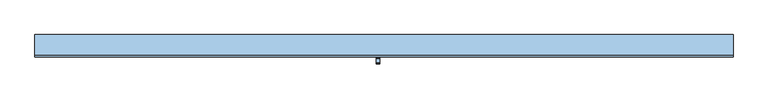
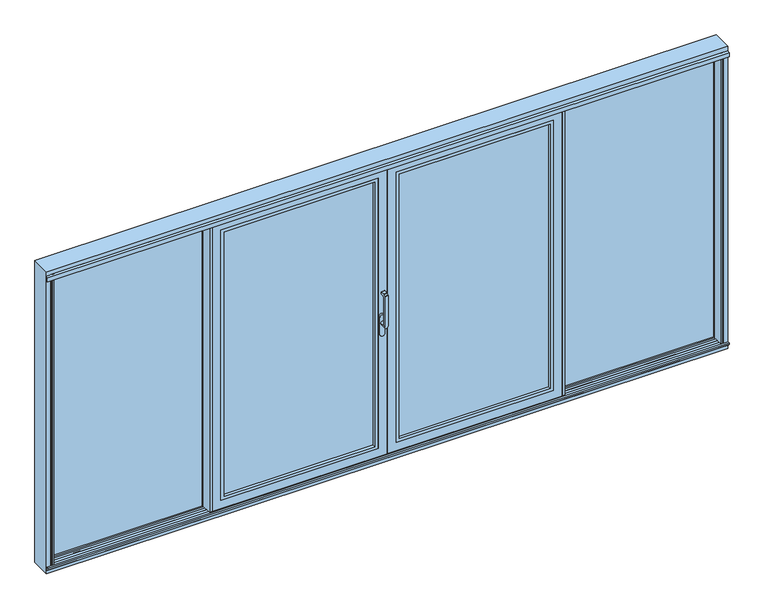
"""IFC4 building model written with IfcOpenShell, lengths in millimetres: window geometry."""

from ifc_helpers import new_model, si_unit, point, frame, frame_2d, origin, place, context, project, spatial, polyline, circle_curve, trimmed, segment, composite_curve, outline, extrude, faceted_brep, source, transform, mapped, element, save
from ifc_brep_helpers import plane_surface, cylinder_surface, revolved_surface, advanced_brep


def window_51f6beb0(model_context):
    return source(origin(), model_context, "Body", "SolidModel", [
        advanced_brep(
        [(-30.25, -121.9999695, 999.0), (-30.25, -121.9999695, 1224.2360009), (-54.25, -121.9999695, 1224.2360009), (-54.25, -121.9999695, 999.0), (-30.25, -73.9999695, 999.005052), (-54.25, -73.9999695, 999.005052), (-54.25, -109.9999695, 999.005052), (-30.25, -109.9999695, 999.005052), (-54.25, -121.414183, 1225.6502145), (-54.25, -110.6501229, 1236.4142746), (-54.25, -109.2359094, 1237.000061), (-54.25, -81.9999695, 1237.000061), (-54.25, -79.9999695, 1235.000061), (-54.25, -79.9999695, 1224.000061), (-54.25, -81.9999695, 1222.000061), (-54.25, -102.6493095, 1222.000061), (-54.25, -109.9999695, 1214.6494011), (-30.25, -109.9999695, 1214.6494011), (-30.25, -102.6493095, 1222.000061), (-30.25, -81.9999695, 1222.000061), (-30.25, -79.9999695, 1224.000061), (-30.25, -79.9999695, 1235.000061), (-30.25, -81.9999695, 1237.000061), (-30.25, -109.2359094, 1237.000061), (-30.25, -110.6501229, 1236.4142746), (-30.25, -121.414183, 1225.6502145)],
        [
            (0, 1),
            (1, 2),
            (2, 3),
            (3, 0, circle_curve(frame((-42.25, -121.9999695, 999.005052), z_axis=(0.0, -1.0, 0.0), x_axis=(-1.0000000000000009, 0.0, 0.0)), 12.0)),
            (4, 5, circle_curve(frame((-42.25, -73.9999695, 999.005052), z_axis=(0.0, 1.0, 0.0), x_axis=(-1.0000000000000009, 0.0, 0.0)), 12.0)),
            (5, 4, circle_curve(frame((-42.25, -73.9999695, 999.005052), z_axis=(0.0, 1.0, 0.0), x_axis=(-1.0000000000000009, 0.0, 0.0)), 12.0)),
            (3, 6),
            (6, 5),
            (4, 7),
            (7, 0),
            (6, 7, circle_curve(frame((-42.25, -109.9999695, 999.005052), z_axis=(0.0, 1.0, 0.0), x_axis=(-1.0000000000000009, 0.0, 0.0)), 12.0)),
            (2, 8, circle_curve(frame((-54.25, -119.9999695, 1224.2360009), z_axis=(-1.0, 0.0, 0.0), x_axis=(0.0, 0.0, -1.0)), 2.0)),
            (8, 9),
            (9, 10, circle_curve(frame((-54.25, -109.2359094, 1235.000061), z_axis=(-1.0, 0.0, 0.0), x_axis=(0.0, 0.0, -1.0)), 2.0)),
            (10, 11),
            (11, 12, circle_curve(frame((-54.25, -81.9999695, 1235.000061), z_axis=(-1.0, 0.0, 0.0), x_axis=(0.0, 0.0, -1.0)), 2.0)),
            (12, 13),
            (13, 14, circle_curve(frame((-54.25, -81.9999695, 1224.000061), z_axis=(-1.0, 0.0, 0.0), x_axis=(0.0, 0.0, -1.0)), 2.0)),
            (14, 15),
            (15, 16, circle_curve(frame((-54.25, -102.6493095, 1214.6494011), z_axis=(1.0, 0.0, 0.0), x_axis=(0.0, 0.0, -1.0)), 7.35066)),
            (16, 6),
            (7, 17),
            (17, 18, circle_curve(frame((-30.25, -102.6493095, 1214.6494011), z_axis=(-1.0, 0.0, 0.0), x_axis=(0.0, 0.0, -1.0)), 7.35066)),
            (18, 19),
            (19, 20, circle_curve(frame((-30.25, -81.9999695, 1224.000061), z_axis=(1.0, 0.0, 0.0), x_axis=(0.0, 0.0, -1.0)), 2.0)),
            (20, 21),
            (21, 22, circle_curve(frame((-30.25, -81.9999695, 1235.000061), z_axis=(1.0, 0.0, 0.0), x_axis=(0.0, 0.0, -1.0)), 2.0)),
            (22, 23),
            (23, 24, circle_curve(frame((-30.25, -109.2359094, 1235.000061), z_axis=(1.0, 0.0, 0.0), x_axis=(0.0, 0.0, -1.0)), 2.0)),
            (24, 25),
            (25, 1, circle_curve(frame((-30.25, -119.9999695, 1224.2360009), z_axis=(1.0, 0.0, 0.0), x_axis=(0.0, 0.0, -1.0)), 2.0)),
            (16, 17),
            (15, 18),
            (14, 19),
            (13, 20),
            (12, 21),
            (11, 22),
            (10, 23),
            (9, 24),
            (8, 25),
        ],
        [
            plane_surface(frame((-54.25, -121.9999695, 999.005052), z_axis=(0.0, -1.0, 0.0), x_axis=(0.0, 0.0, 1.0))),
            plane_surface(frame((-54.25, -73.9999695, 999.005052), z_axis=(0.0, 1.0, 0.0), x_axis=(0.0, 0.0, -1.0))),
            cylinder_surface(frame((-42.25, -73.9999695, 999.005052), z_axis=(0.0, -1.0000000000000009, 0.0), x_axis=(-1.0000000000000009, 0.0, 0.0)), 12.0),
            plane_surface(frame((-54.25, -121.9999695, 1004.7503433), z_axis=(-1.0, 0.0, 0.0), x_axis=(0.0, 0.0, -1.0))),
            plane_surface(frame((-30.25, -121.9999695, 1004.7503433), z_axis=(1.0, 0.0, 0.0), x_axis=(0.0, 0.0, 1.0))),
            plane_surface(frame((-54.25, -109.9999695, 999.0), z_axis=(0.0, 1.0, 0.0), x_axis=(1.0, 0.0, 0.0))),
            revolved_surface(polyline([(-30.25, -102.6493095, 1207.2987411), (-54.25000000000004, -102.6493095, 1207.2987411)]), (-30.25, -102.6493095, 1214.6494011), (1.0000000000000009, 0.0, 0.0)),
            plane_surface(frame((-54.25, -102.6493095, 1222.000061), z_axis=(0.0, 0.0, -1.0), x_axis=(1.0, 0.0, 0.0))),
            cylinder_surface(frame((-30.25, -81.9999695, 1224.000061), z_axis=(-1.0000000000000009, 0.0, 0.0), x_axis=(0.0, 0.0, -1.0)), 2.0),
            plane_surface(frame((-54.25, -79.9999695, 1224.000061), z_axis=(0.0, 1.0, 0.0), x_axis=(1.0, 0.0, 0.0))),
            cylinder_surface(frame((-30.25, -81.9999695, 1235.000061), z_axis=(-1.0000000000000009, 0.0, 0.0), x_axis=(0.0, 0.0, -1.0)), 2.0),
            plane_surface(frame((-54.25, -81.9999695, 1237.000061), z_axis=(0.0, 0.0, 1.0), x_axis=(1.0, 0.0, 0.0))),
            cylinder_surface(frame((-30.25, -109.2359094, 1235.000061), z_axis=(-1.0000000000000009, 0.0, 0.0), x_axis=(0.0, 0.0, -1.0)), 2.0),
            plane_surface(frame((-54.25, -110.6501229, 1236.4142746), z_axis=(0.0, -0.7071067811865419, 0.7071067811865531), x_axis=(1.0, 0.0, 0.0))),
            cylinder_surface(frame((-30.25, -119.9999695, 1224.2360009), z_axis=(-1.0000000000000009, 0.0, 0.0), x_axis=(0.0, 0.0, -1.0)), 2.0),
        ],
        [
            (0, [[1, 2, 3, 4]]),
            (1, [[5, 6]]),
            (2, [[7, 8, -5, 9, 10, -4]]),
            (2, [[-8, 11, -9, -6]]),
            (3, [[12, 13, 14, 15, 16, 17, 18, 19, 20, 21, -7, -3]]),
            (4, [[-1, -10, 22, 23, 24, 25, 26, 27, 28, 29, 30, 31]]),
            (5, [[32, -22, -11, -21]]),
            (6, [[33, -23, -32, -20]]),
            (7, [[34, -24, -33, -19]]),
            (8, [[35, -25, -34, -18]]),
            (9, [[36, -26, -35, -17]]),
            (10, [[37, -27, -36, -16]]),
            (11, [[38, -28, -37, -15]]),
            (12, [[39, -29, -38, -14]]),
            (13, [[40, -30, -39, -13]]),
            (14, [[-2, -31, -40, -12]]),
        ],
    ),
        extrude(outline(composite_curve([segment(polyline([(917.2823932, -25.5), (1044.0099288, -25.5)]), True, "CONTINUOUS"), segment(trimmed(circle_curve(frame_2d((1044.0099288, -42.25)), 16.75), [point((1044.0099288, -25.5))], [point((1044.0099288, -59.0))], False, "CARTESIAN"), True, "CONTINUOUS"), segment(polyline([(1044.0099288, -59.0), (917.2823932, -59.0)]), True, "CONTINUOUS"), segment(trimmed(circle_curve(frame_2d((917.2823932, -42.25)), 16.75), [point((917.2823932, -59.0))], [point((917.2823932, -25.5))], False, "CARTESIAN"), True, "CONTINUOUS")], self_intersect=False)), frame((0.0, -73.9999695, 0.0), z_axis=(0.0, 1.0, 0.0), x_axis=(0.0, 0.0, 1.0)), (0.0, 0.0, 1.0), 13.9999695),
        extrude(outline(polyline([(-1194.9983764, 15.9999745), (-1194.9983764, -2.55e-05), (-1242.1999044, -2.55e-05), (-1242.1999044, -54.5), (-1226.0, -54.5), (-1226.0, -60.0), (-1245.9999695, -60.0), (-1245.9999695, 15.9999745), (-1194.9983764, 15.9999745)])), frame((0.0, 0.0, 4.0), z_axis=(0.0, 0.0, 1.0), x_axis=(1.0, 0.0, 0.0)), (0.0, 0.0, 1.0), 2127.0),
        extrude(outline(polyline([(2071.0, -64.0), (2071.0, -1166.0), (64.0, -1166.0), (64.0, -64.0), (2071.0, -64.0)]), holes=[polyline([(2048.987351, -1143.987351), (2048.987351, -86.012649), (86.012649, -86.012649), (86.012649, -1143.987351), (2048.987351, -1143.987351)])]), frame((0.0, -60.0, 0.0), z_axis=(0.0, 1.0, 0.0), x_axis=(0.0, 0.0, 1.0)), (0.0, 0.0, 1.0), 22.9999656),
        extrude(outline(polyline([(-64.0, -11.0000344), (-64.0, -37.0000344), (-1166.0, -37.0000344), (-1166.0, -11.0000344), (-64.0, -11.0000344)])), frame((0.0, 0.0, 64.0), z_axis=(0.0, 0.0, 1.0), x_axis=(1.0, 0.0, 0.0)), (0.0, 0.0, 1.0), 2007.0),
        faceted_brep([(-1144.0, -11.0000344, 2049.0), (-1144.0, -11.0000344, 86.0), (-1144.0, -2.55e-05, 86.0), (-1144.0, -2.55e-05, 2049.0), (-1226.0017184, -2.55e-05, 2131.0017184), (-3.9982816, -2.55e-05, 2131.0017184), (-3.9982816, -2.55e-05, 3.9982816), (-1226.0017184, -2.55e-05, 3.9982816), (-86.0, -2.55e-05, 2049.0), (-86.0, -2.55e-05, 86.0), (-86.0, -11.0000344, 86.0), (-64.0, -11.0000344, 2071.0), (-1166.0, -11.0000344, 2071.0), (-1166.0, -11.0000344, 64.0), (-64.0, -11.0000344, 64.0), (-86.0, -11.0000344, 2049.0), (-1166.0, -60.0, 2071.0), (-1166.0, -60.0, 64.0), (-64.0, -60.0, 64.0), (-4.0, -60.0, 2131.0), (-1226.0, -60.0, 2131.0), (-1226.0, -60.0, 4.0), (-4.0, -60.0, 4.0), (-64.0, -60.0, 2071.0), (-1226.0, -54.5, 2131.0), (-1226.0, -54.5, 4.0), (-4.0, -54.5, 4.0), (-4.0, -54.5, 2131.0), (-34.0, -54.5, 2101.0), (-1196.0, -54.5, 2101.0), (-1196.0, -54.5, 34.0), (-34.0, -54.5, 34.0), (-1196.0, -5.4999923, 2101.0), (-1196.0, -5.4999923, 34.0), (-34.0, -5.4999923, 34.0), (-3.9982816, -5.4999923, 2131.0017184), (-1226.0017184, -5.4999923, 2131.0017184), (-1226.0017184, -5.4999923, 3.9982816), (-3.9982816, -5.4999923, 3.9982816), (-34.0, -5.4999923, 2101.0)], [[[0, 1, 2, 3]], [[4, 5, 6, 7], [8, 3, 2, 9]], [[1, 10, 9, 2]], [[11, 12, 13, 14], [0, 15, 10, 1]], [[16, 17, 13, 12]], [[17, 18, 14, 13]], [[19, 20, 21, 22], [16, 23, 18, 17]], [[24, 25, 21, 20]], [[25, 26, 22, 21]], [[24, 27, 26, 25], [28, 29, 30, 31]], [[32, 33, 30, 29]], [[33, 34, 31, 30]], [[35, 36, 37, 38], [32, 39, 34, 33]], [[4, 7, 37, 36]], [[7, 6, 38, 37]], [[10, 15, 8, 9]], [[18, 23, 11, 14]], [[26, 27, 19, 22]], [[34, 39, 28, 31]], [[6, 5, 35, 38]], [[15, 0, 3, 8]], [[23, 16, 12, 11]], [[27, 24, 20, 19]], [[39, 32, 29, 28]], [[5, 4, 36, 35]]]),
        extrude(outline(polyline([(-12.2016228, -54.5), (-12.2016228, -5.5000255), (34.0, -5.5000255), (34.0, -54.5), (-12.2016228, -54.5)])), frame((0.0, 0.0, 34.0), z_axis=(0.0, 0.0, 1.0), x_axis=(1.0, 0.0, 0.0)), (0.0, 0.0, 1.0), 2067.0),
        extrude(outline(polyline([(1194.9983764, 15.9999745), (1245.9999695, 15.9999745), (1245.9999695, -60.0), (1226.0, -60.0), (1226.0, -54.5), (1242.1999044, -54.5), (1242.1999044, -2.55e-05), (1194.9983764, -2.55e-05), (1194.9983764, 15.9999745)])), frame((0.0, 0.0, 4.0), z_axis=(0.0, 0.0, 1.0), x_axis=(1.0, 0.0, 0.0)), (0.0, 0.0, 1.0), 2127.0),
        extrude(outline(polyline([(2071.0, 64.0), (64.0, 64.0), (64.0, 1166.0), (2071.0, 1166.0), (2071.0, 64.0)]), holes=[polyline([(2048.987351, 1143.987351), (86.012649, 1143.987351), (86.012649, 86.012649), (2048.987351, 86.012649), (2048.987351, 1143.987351)])]), frame((0.0, -60.0, 0.0), z_axis=(0.0, 1.0, 0.0), x_axis=(0.0, 0.0, 1.0)), (0.0, 0.0, 1.0), 22.9999656),
        extrude(outline(polyline([(64.0, -11.0000344), (1166.0, -11.0000344), (1166.0, -37.0000344), (64.0, -37.0000344), (64.0, -11.0000344)])), frame((0.0, 0.0, 64.0), z_axis=(0.0, 0.0, 1.0), x_axis=(1.0, 0.0, 0.0)), (0.0, 0.0, 1.0), 2007.0),
        faceted_brep([(1144.0, -11.0000344, 2049.0), (1144.0, -2.55e-05, 2049.0), (1144.0, -2.55e-05, 86.0), (1144.0, -11.0000344, 86.0), (1226.0017184, -2.55e-05, 2131.0017184), (1226.0017184, -2.55e-05, 3.9982816), (3.9982816, -2.55e-05, 3.9982816), (3.9982816, -2.55e-05, 2131.0017184), (86.0, -2.55e-05, 2049.0), (86.0, -2.55e-05, 86.0), (86.0, -11.0000344, 86.0), (64.0, -11.0000344, 2071.0), (64.0, -11.0000344, 64.0), (1166.0, -11.0000344, 64.0), (1166.0, -11.0000344, 2071.0), (86.0, -11.0000344, 2049.0), (1166.0, -60.0, 2071.0), (1166.0, -60.0, 64.0), (64.0, -60.0, 64.0), (4.0, -60.0, 2131.0), (4.0, -60.0, 4.0), (1226.0, -60.0, 4.0), (1226.0, -60.0, 2131.0), (64.0, -60.0, 2071.0), (1226.0, -54.5, 2131.0), (1226.0, -54.5, 4.0), (4.0, -54.5, 4.0), (4.0, -54.5, 2131.0), (34.0, -54.5, 2101.0), (34.0, -54.5, 34.0), (1196.0, -54.5, 34.0), (1196.0, -54.5, 2101.0), (1196.0, -5.4999923, 2101.0), (1196.0, -5.4999923, 34.0), (34.0, -5.4999923, 34.0), (3.9982816, -5.4999923, 2131.0017184), (3.9982816, -5.4999923, 3.9982816), (1226.0017184, -5.4999923, 3.9982816), (1226.0017184, -5.4999923, 2131.0017184), (34.0, -5.4999923, 2101.0)], [[[0, 1, 2, 3]], [[4, 5, 6, 7], [8, 9, 2, 1]], [[3, 2, 9, 10]], [[11, 12, 13, 14], [0, 3, 10, 15]], [[16, 14, 13, 17]], [[17, 13, 12, 18]], [[19, 20, 21, 22], [16, 17, 18, 23]], [[24, 22, 21, 25]], [[25, 21, 20, 26]], [[24, 25, 26, 27], [28, 29, 30, 31]], [[32, 31, 30, 33]], [[33, 30, 29, 34]], [[35, 36, 37, 38], [32, 33, 34, 39]], [[4, 38, 37, 5]], [[5, 37, 36, 6]], [[10, 9, 8, 15]], [[18, 12, 11, 23]], [[26, 20, 19, 27]], [[34, 29, 28, 39]], [[6, 36, 35, 7]], [[15, 8, 1, 0]], [[23, 11, 14, 16]], [[27, 19, 22, 24]], [[39, 28, 31, 32]], [[7, 35, 38, 4]]]),
        extrude(outline(polyline([(2364.0, 30.9998071), (1222.0000305, 30.9998071), (1222.0000305, 56.9998071), (2364.0, 56.9998071), (2364.0, 30.9998071)])), frame((0.0, 0.0, -25.0), z_axis=(0.0, 0.0, 1.0), x_axis=(1.0, 0.0, 0.0)), (0.0, 0.0, 1.0), 2189.0),
        extrude(outline(polyline([(2164.0, 1222.0000305), (-25.0, 1222.0000305), (-25.0, 2364.0), (2164.0, 2364.0), (2164.0, 1222.0000305)]), holes=[polyline([(2141.9998171, 2341.9998171), (-2.9998171, 2341.9998171), (-2.9998171, 1244.0002134), (2141.9998171, 1244.0002134), (2141.9998171, 2341.9998171)])]), frame((0.0, 56.9998071, 0.0), z_axis=(0.0, 1.0, 0.0), x_axis=(0.0, 0.0, 1.0)), (0.0, 0.0, 1.0), 23.0001929),
        extrude(outline(polyline([(-1222.0000305, 30.9998071), (-2364.0, 30.9998071), (-2364.0, 56.9998071), (-1222.0000305, 56.9998071), (-1222.0000305, 30.9998071)])), frame((0.0, 0.0, -25.0), z_axis=(0.0, 0.0, 1.0), x_axis=(1.0, 0.0, 0.0)), (0.0, 0.0, 1.0), 2189.0),
        extrude(outline(polyline([(2164.0, -2364.0), (-25.0, -2364.0), (-25.0, -1222.0000305), (2164.0, -1222.0000305), (2164.0, -2364.0)]), holes=[polyline([(2141.9998171, -1244.0002134), (-2.9998171, -1244.0002134), (-2.9998171, -2341.9998171), (2141.9998171, -2341.9998171), (2141.9998171, -1244.0002134)])]), frame((0.0, 56.9998071, 0.0), z_axis=(0.0, 1.0, 0.0), x_axis=(0.0, 0.0, 1.0)), (0.0, 0.0, 1.0), 23.0001929),
        extrude(outline(polyline([(-2339.0, 15.0), (-2339.0, -60.0), (-2350.0, -60.0), (-2350.0, -51.2), (-2342.0, -48.2882381), (-2342.0, 11.0), (-2358.0007202, 11.0), (-2358.0007202, 15.0), (-2339.0, 15.0)])), frame((0.0, 0.0, -19.0), z_axis=(0.0, 0.0, 1.0), x_axis=(1.0, 0.0, 0.0)), (0.0, 0.0, 1.0), 2176.5),
        extrude(outline(polyline([(2339.0, 15.0), (2358.0007202, 15.0), (2358.0007202, 11.0), (2342.0, 11.0), (2342.0, -48.2882381), (2350.0, -51.2), (2350.0, -60.0), (2339.0, -60.0), (2339.0, 15.0)])), frame((0.0, 0.0, -19.0), z_axis=(0.0, 0.0, 1.0), x_axis=(1.0, 0.0, 0.0)), (0.0, 0.0, 1.0), 2176.5),
        faceted_brep([(-2390.0, 80.0, -51.0), (2390.0, 80.0, -51.0), (2390.0, -60.0, -51.0), (-2390.0, -60.0, -51.0), (-2390.0, -60.0, 2190.0), (-2390.0, 80.0, 2190.0), (2358.0007202, 20.0, -25.0), (2358.0007202, -8.7999745, -25.0), (2358.0007202, -8.7999745, 2155.2007202), (2358.0007202, 20.0, 2155.2007202), (-1144.0, 30.9998071, -25.0), (-1144.0, 30.9998071, -3.0), (1144.0, 30.9998071, -3.0), (1144.0, 30.9998071, -25.0), (-2364.0, 30.9998071, -25.0), (-2364.0, 30.9998071, 2164.0), (-1222.0000305, 30.9998071, 2164.0), (-1222.0000305, 30.9998071, -25.0), (-2342.0, 30.9998071, 2142.0), (-2342.0, 30.9998071, -3.0), (-1246.0, 30.9998071, -3.0), (-1246.0, 30.9998071, 2142.0), (2364.0, 30.9998071, 2164.0), (2364.0, 30.9998071, -25.0), (1222.0000305, 30.9998071, -25.0), (1222.0000305, 30.9998071, 2164.0), (2342.0, 30.9998071, -3.0), (2342.0, 30.9998071, 2142.0), (1246.0, 30.9998071, 2142.0), (1246.0, 30.9998071, -3.0), (-1144.0, 30.9998071, 2142.0), (-1144.0, 30.9998071, 2164.0), (1144.0, 30.9998071, 2164.0), (1144.0, 30.9998071, 2142.0), (2342.0, 20.0, -3.0), (2342.0, 20.0, 2142.0), (1195.0, 20.0, 2155.2007202), (1195.0, 20.0, -25.0), (1246.0, 20.0, -3.0), (1246.0, 20.0, 2142.0), (-1144.0, 20.0, -3.0), (-1144.0, 20.0, -25.0), (1144.0, 20.0, -25.0), (1144.0, 20.0, -3.0), (-2358.0007202, 20.0, 2155.2007202), (-2358.0007202, 20.0, -25.0), (-1195.0, 20.0, -25.0), (-1195.0, 20.0, 2155.2007202), (-2342.0, 20.0, -3.0), (-2342.0, 20.0, 2142.0), (-1246.0, 20.0, 2142.0), (-1246.0, 20.0, -3.0), (-1144.0, 20.0, 2155.2007202), (-1144.0, 20.0, 2142.0), (1144.0, 20.0, 2142.0), (1144.0, 20.0, 2155.2007202), (2390.0, -60.0, 2190.0), (2390.0, 80.0, 2190.0), (-2364.0, 80.0, 2164.0), (-2364.0, 80.0, -25.0), (-1222.0000305, 80.0, -25.0), (-1222.0000305, 80.0, 2164.0), (-1144.0, 80.0, -25.0), (1144.0, 80.0, -25.0), (1144.0, 80.0, 2164.0), (-1144.0, 80.0, 2164.0), (2364.0, 80.0, -25.0), (2364.0, 80.0, 2164.0), (1222.0000305, 80.0, 2164.0), (1222.0000305, 80.0, -25.0), (2358.0, -60.0, -19.0), (-2358.0, -60.0, -19.0), (-2358.0, -60.0, 2157.5), (2358.0, -60.0, 2157.5), (2358.0, -51.2, -19.0), (2358.0, -51.2, 2157.5), (-2358.0, -51.2, -19.0), (-2358.0, -51.2, 2157.5), (2350.0, -51.2, -11.0), (-2350.0, -51.2, -11.0), (-2350.0, -51.2, 2150.0), (2350.0, -51.2, 2150.0), (2342.0, -48.2882381, -3.0), (2342.0, -48.2882381, 2142.0), (2342.0, -48.2882381, 2130.9117619), (2346.7030271, -50.0, 2129.2), (2346.7030271, -50.0, 2122.0), (2342.0, -48.2882381, 2122.0), (-2342.0, -48.2882381, -3.0), (2342.0, -11.7119985, -3.0), (-2342.0, -11.7120237, -3.0), (-2342.0, -48.2882381, 2122.0), (-2346.7030271, -50.0, 2122.0), (-2346.7030271, -50.0, 2129.2), (-2342.0, -48.2882381, 2130.9117619), (-2342.0, -48.2882381, 2142.0), (2342.0, -44.2, 2142.0), (2342.0, -44.2, 2135.0), (2342.0, -11.7119985, 2122.0), (2342.0, -11.7119985, 2155.2007202), (2342.0, -11.7119985, 2130.9119985), (2342.0, -15.8, 2135.0), (2342.0, -15.8, 2155.2007202), (2350.0007202, -8.7999745, -11.0007902), (-2350.0007202, -8.7999745, -11.0007902), (-2342.0, -11.7119993, 2122.0), (-2342.0, -44.2, 2135.0), (-2342.0, -44.2, 2142.0), (-2342.0, -11.7119992, 2130.9119986), (-2342.0, -11.7119989, 2155.2007202), (-2342.0, -15.8, 2155.2007202), (-2342.0, -15.8, 2135.0), (2346.7036773, -10.0, 2122.0), (2346.7036773, -10.0, 2129.2), (2350.0007202, -8.7999745, 2155.2007202), (-2358.0007202, -8.7999745, -25.0), (-2358.0007202, -8.7999745, 2155.2007202), (-2350.0007202, -8.7999745, 2155.2007202), (-2346.7036773, -10.0, 2129.2), (-2346.7036773, -10.0, 2122.0), (1195.0, 4.0, -25.0), (1144.0, 4.0, -25.0), (-1144.0, 4.0, -25.0), (-1195.0, 4.0, -25.0), (1195.0, 4.0, 2155.2007202), (1144.0, 4.0, 2155.2007202), (-1144.0, 4.0, 2155.2007202), (-1195.0, 4.0, 2155.2007202)], [[[0, 1, 2, 3]], [[0, 3, 4, 5]], [[6, 7, 8, 9]], [[10, 11, 12, 13]], [[14, 15, 16, 17], [18, 19, 20, 21]], [[22, 23, 24, 25], [26, 27, 28, 29]], [[30, 31, 32, 33]], [[26, 34, 35, 27]], [[6, 9, 36, 37], [35, 34, 38, 39]], [[40, 41, 42, 43]], [[44, 45, 46, 47], [48, 49, 50, 51]], [[52, 53, 54, 55]], [[56, 57, 5, 4]], [[57, 1, 0, 5], [58, 59, 60, 61], [62, 63, 64, 65], [66, 67, 68, 69]], [[57, 56, 2, 1]], [[3, 2, 56, 4], [70, 71, 72, 73]], [[74, 70, 73, 75]], [[70, 74, 76, 71]], [[76, 74, 75, 77], [78, 79, 80, 81]], [[71, 76, 77, 72]], [[82, 78, 81, 83, 84, 85, 86, 87]], [[78, 82, 88, 79]], [[82, 89, 90, 88]], [[79, 88, 91, 92, 93, 94, 95, 80]], [[84, 83, 96, 97]], [[89, 82, 87, 98]], [[99, 100, 101, 102]], [[89, 103, 104, 90]], [[88, 90, 105, 91]], [[95, 94, 106, 107]], [[108, 109, 110, 111]], [[103, 89, 98, 112, 113, 100, 99, 114]], [[104, 103, 114, 8, 7, 115, 116, 117]], [[90, 104, 117, 109, 108, 118, 119, 105]], [[7, 6, 37, 120, 121, 42, 41, 122, 123, 46, 45, 115]], [[37, 36, 124, 120]], [[125, 121, 120, 124]], [[64, 63, 13, 12, 43, 42, 121, 125, 55, 54, 33, 32]], [[62, 65, 31, 30, 53, 52, 126, 122, 41, 40, 11, 10]], [[127, 123, 122, 126]], [[123, 127, 47, 46]], [[115, 45, 44, 116]], [[34, 26, 29, 38]], [[11, 40, 43, 12]], [[19, 48, 51, 20]], [[39, 38, 29, 28]], [[48, 19, 18, 49]], [[51, 50, 21, 20]], [[24, 23, 66, 69]], [[62, 10, 13, 63]], [[59, 14, 17, 60]], [[14, 59, 58, 15]], [[61, 60, 17, 16]], [[66, 23, 22, 67]], [[69, 68, 25, 24]], [[15, 58, 61, 16]], [[67, 22, 25, 68]], [[31, 65, 64, 32]], [[27, 35, 39, 28]], [[49, 18, 21, 50]], [[53, 30, 33, 54]], [[102, 110, 109, 117, 116, 44, 47, 127, 126, 52, 55, 125, 124, 36, 9, 8, 114, 99]], [[119, 112, 98, 87, 86, 92, 91, 105]], [[118, 113, 112, 119]], [[111, 101, 100, 113, 118, 108]], [[110, 102, 101, 111]], [[83, 95, 107, 96]], [[106, 97, 96, 107]], [[93, 85, 84, 97, 106, 94]], [[81, 80, 95, 83]], [[92, 86, 85, 93]], [[73, 72, 77, 75]]]),
        extrude(outline(polyline([(-73.0, -2.0), (-60.0, -2.0), (-60.0, -21.8), (-66.4, -21.8), (-73.0, -15.2), (-73.0, -2.0)])), frame((-2390.0, 0.0, 0.0), z_axis=(1.0, 0.0, 0.0), x_axis=(0.0, 1.0, 0.0)), (0.0, 0.0, 1.0), 4780.0),
        extrude(outline(polyline([(-51.2000255, 2150.5), (-68.5243789, 2150.5), (-71.0000233, 2149.0706861), (-71.0000233, 2121.5), (-72.6000233, 2121.5), (-72.6000233, 2150.225198), (-59.9996967, 2157.5), (-51.2000255, 2157.5), (-51.2000255, 2150.5)])), frame((-2390.0, 0.0, 0.0), z_axis=(1.0, 0.0, 0.0), x_axis=(0.0, 1.0, 0.0)), (0.0, 0.0, 1.0), 4780.0),
        extrude(outline(polyline([(-60.0, 0.0), (-41.9001183, 0.0), (-41.9001183, -3.0), (-48.2882381, -3.0), (-51.2, -11.0), (-51.2, -19.0), (-60.0, -19.0), (-60.0, 0.0)])), frame((-2339.0, 0.0, 0.0), z_axis=(1.0, 0.0, 0.0), x_axis=(0.0, 1.0, 0.0)), (0.0, 0.0, 1.0), 4678.0),
        extrude(outline(polyline([(-18.1001183, 0.0), (-2.55e-05, 0.0), (-2.55e-05, -25.0), (-8.7999745, -25.0), (-8.7999745, -11.0007902), (-11.712024, -3.0), (-18.1001183, -3.0), (-18.1001183, 0.0)])), frame((-2339.0, 0.0, 0.0), z_axis=(1.0, 0.0, 0.0), x_axis=(0.0, 1.0, 0.0)), (0.0, 0.0, 1.0), 4678.0),
        extrude(outline(polyline([(4.0, 0.0), (80.0, 0.0), (80.0, -25.0), (60.5987802, -25.0), (60.5987802, -3.0), (12.8, -3.0), (12.8, -11.0), (4.0, -11.0), (4.0, 0.0)])), frame((-1144.0, 0.0, 0.0), z_axis=(1.0, 0.0, 0.0), x_axis=(0.0, 1.0, 0.0)), (0.0, 0.0, 1.0), 2288.0),
        extrude(outline(polyline([(80.0, 2120.9), (4.0, 2120.9), (4.0, 2131.0), (20.0, 2131.0), (20.0, 2142.0), (30.9998071, 2142.0), (30.9998071, 2131.0), (60.6, 2131.0), (60.6, 2164.0), (80.0, 2164.0), (80.0, 2120.9)])), frame((-1144.0, 0.0, 0.0), z_axis=(1.0, 0.0, 0.0), x_axis=(0.0, 1.0, 0.0)), (0.0, 0.0, 1.0), 2288.0),
    ])


if __name__ == "__main__":
    model = new_model("IFC4")
    model_context = context("Model", 3, world=origin())
    ifc_project = project(units=[si_unit("LENGTHUNIT", "METRE", prefix="MILLI")], contexts=[model_context])
    site = spatial("IfcSite", under=ifc_project)
    building = spatial("IfcBuilding", under=site)
    placement = place(None, origin())
    window_shape = window_51f6beb0(model_context)
    element("IfcWindow", 1, at=placement, inside=building, context=model_context, shape_type="MappedRepresentation", body=[
        mapped(window_shape, transform((0.0, 0.0, 0.0), x_axis=(1.0, 0.0, 0.0), y_axis=(0.0, 1.0, 0.0), z_axis=(0.0, 0.0, 1.0))),
    ])
    save(model, "model.ifc")
